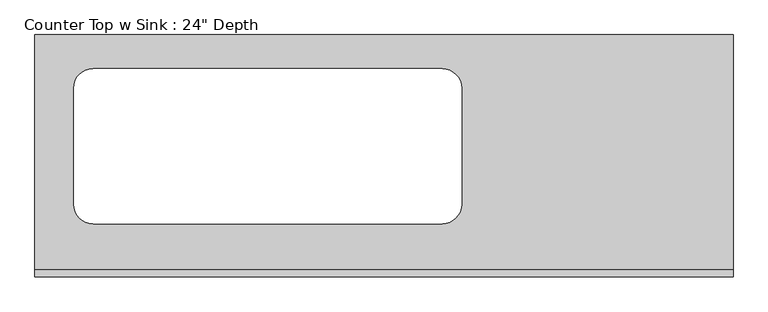
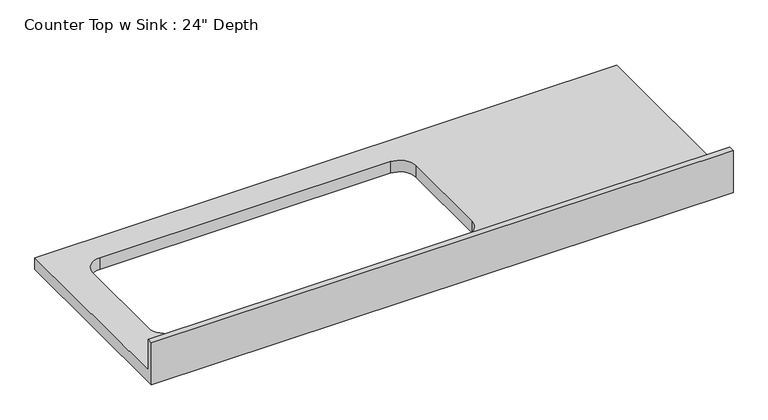
"""IFC4 building model written with IfcOpenShell, lengths in millimetres: furniture geometry."""

from ifc_helpers import new_model, si_unit, frame, origin, place, context, project, spatial, polyline, circle_curve, source, transform, mapped, element, save
from ifc_brep_helpers import plane_surface, revolved_surface, advanced_brep


def furniture_122af31f(model_context):
    return source(origin(), model_context, "Body", "AdvancedBrep", [
        advanced_brep(
        [(-1200.4622951, 635.0, 914.4), (-1200.4622951, 19.05, 914.4), (628.3377049, 19.05, 914.4), (628.3377049, 635.0, 914.4), (-1048.0622951, 139.7, 914.4), (-1098.8622951, 190.5, 914.4), (-1098.8622951, 495.3, 914.4), (-1048.0622951, 546.1, 914.4), (-133.6622951, 546.1, 914.4), (-82.8622951, 495.3, 914.4), (-82.8622951, 190.5, 914.4), (-133.6622951, 139.7, 914.4), (628.3377049, 0.0, 876.3), (-1200.4622951, 0.0, 876.3), (-1200.4622951, 635.0, 876.3), (628.3377049, 635.0, 876.3), (-133.6622951, 139.7, 876.3), (-82.8622951, 190.5, 876.3), (-82.8622951, 495.3, 876.3), (-133.6622951, 546.1, 876.3), (-1048.0622951, 546.1, 876.3), (-1098.8622951, 495.3, 876.3), (-1098.8622951, 190.5, 876.3), (-1048.0622951, 139.7, 876.3), (628.3377049, 0.0, 1016.0), (-1200.4622951, 0.0, 1016.0), (-1200.4622951, 19.05, 1016.0), (628.3377049, 19.05, 1016.0)],
        [
            (0, 1),
            (1, 2),
            (2, 3),
            (3, 0),
            (4, 5, circle_curve(frame((-1048.0622951, 190.5, 914.4), z_axis=(0.0, 0.0, -1.0), x_axis=(1.0, 0.0, 0.0)), 50.8)),
            (5, 6),
            (6, 7, circle_curve(frame((-1048.0622951, 495.3, 914.4), z_axis=(0.0, 0.0, -1.0), x_axis=(1.0, 0.0, 0.0)), 50.8)),
            (7, 8),
            (8, 9, circle_curve(frame((-133.6622951, 495.3, 914.4), z_axis=(0.0, 0.0, -1.0), x_axis=(1.0, 0.0, 0.0)), 50.8)),
            (9, 10),
            (10, 11, circle_curve(frame((-133.6622951, 190.5, 914.4), z_axis=(0.0, 0.0, -1.0), x_axis=(1.0, 0.0, 0.0)), 50.8)),
            (11, 4),
            (12, 13),
            (13, 14),
            (14, 15),
            (15, 12),
            (16, 17, circle_curve(frame((-133.6622951, 190.5, 876.3), z_axis=(0.0, 0.0, 1.0), x_axis=(1.0, 0.0, 0.0)), 50.8)),
            (17, 18),
            (18, 19, circle_curve(frame((-133.6622951, 495.3, 876.3), z_axis=(0.0, 0.0, 1.0), x_axis=(1.0, 0.0, 0.0)), 50.8)),
            (19, 20),
            (20, 21, circle_curve(frame((-1048.0622951, 495.3, 876.3), z_axis=(0.0, 0.0, 1.0), x_axis=(1.0, 0.0, 0.0)), 50.8)),
            (21, 22),
            (22, 23, circle_curve(frame((-1048.0622951, 190.5, 876.3), z_axis=(0.0, 0.0, 1.0), x_axis=(1.0, 0.0, 0.0)), 50.8)),
            (23, 16),
            (12, 24),
            (24, 25),
            (25, 13),
            (25, 26),
            (26, 1),
            (0, 14),
            (3, 15),
            (2, 27),
            (27, 24),
            (27, 26),
            (11, 16),
            (23, 4),
            (22, 5),
            (21, 6),
            (20, 7),
            (19, 8),
            (18, 9),
            (17, 10),
        ],
        [
            plane_surface(frame((-1200.4622951, 0.0, 914.4), z_axis=(0.0, 0.0, 1.0), x_axis=(-1.0, 0.0, 0.0))),
            plane_surface(frame((-1200.4622951, 0.0, 876.3), z_axis=(0.0, 0.0, -1.0), x_axis=(1.0, 0.0, 0.0))),
            plane_surface(frame((628.3377049, 0.0, 914.4), z_axis=(0.0, -1.0, 0.0), x_axis=(0.0, 0.0, -1.0))),
            plane_surface(frame((-1200.4622951, 0.0, 914.4), z_axis=(-1.0, 0.0, 0.0), x_axis=(0.0, 0.0, -1.0))),
            plane_surface(frame((-1200.4622951, 635.0, 914.4), z_axis=(0.0, 1.0, 0.0), x_axis=(0.0, 0.0, -1.0))),
            plane_surface(frame((628.3377049, 635.0, 914.4), z_axis=(1.0, 0.0, 0.0), x_axis=(0.0, 0.0, -1.0))),
            plane_surface(frame((-1200.4622951, 0.0, 1016.0), z_axis=(0.0, 0.0, 1.0), x_axis=(0.0, 1.0, 0.0))),
            plane_surface(frame((-1200.4622951, 19.05, 1016.0), z_axis=(0.0, 1.0, 0.0), x_axis=(0.0, 0.0, -1.0))),
            plane_surface(frame((-133.6622951, 139.7, 914.4), z_axis=(0.0, 1.0, 0.0), x_axis=(0.0, 0.0, -1.0))),
            revolved_surface(polyline([(-997.2622951000001, 190.5, 914.4), (-997.2622951000001, 190.5, 876.3)]), (-1048.0622951, 190.5, 876.3), (0.0, 0.0, 1.0)),
            plane_surface(frame((-1098.8622951, 190.5, 914.4), z_axis=(1.0, 0.0, 0.0), x_axis=(0.0, 0.0, -1.0))),
            revolved_surface(polyline([(-997.2622951000001, 495.3, 914.4), (-997.2622951000001, 495.3, 876.3)]), (-1048.0622951, 495.3, 876.3), (0.0, 0.0, 1.0)),
            plane_surface(frame((-1048.0622951, 546.1, 914.4), z_axis=(0.0, -1.0, 0.0), x_axis=(0.0, 0.0, -1.0))),
            revolved_surface(polyline([(-82.8622951, 495.3, 914.4), (-82.8622951, 495.3, 876.3)]), (-133.6622951, 495.3, 876.3), (0.0, 0.0, 1.0)),
            plane_surface(frame((-82.8622951, 495.3, 914.4), z_axis=(-1.0, 0.0, 0.0), x_axis=(0.0, 0.0, -1.0))),
            revolved_surface(polyline([(-82.8622951, 190.5, 914.4), (-82.8622951, 190.5, 876.3)]), (-133.6622951, 190.5, 876.3), (0.0, 0.0, 1.0)),
        ],
        [
            (0, [[1, 2, 3, 4], [5, 6, 7, 8, 9, 10, 11, 12]]),
            (1, [[13, 14, 15, 16], [17, 18, 19, 20, 21, 22, 23, 24]]),
            (2, [[25, 26, 27, -13]]),
            (3, [[-27, 28, 29, -1, 30, -14]]),
            (4, [[31, -15, -30, -4]]),
            (5, [[-31, -3, 32, 33, -25, -16]]),
            (6, [[-26, -33, 34, -28]]),
            (7, [[-32, -2, -29, -34]]),
            (8, [[-12, 35, -24, 36]]),
            (9, [[-23, 37, -5, -36]]),
            (10, [[-22, 38, -6, -37]]),
            (11, [[-21, 39, -7, -38]]),
            (12, [[-20, 40, -8, -39]]),
            (13, [[-19, 41, -9, -40]]),
            (14, [[-18, 42, -10, -41]]),
            (15, [[-11, -42, -17, -35]]),
        ],
    ),
    ])


if __name__ == "__main__":
    model = new_model("IFC4")
    model_context = context("Model", 3, world=origin())
    ifc_project = project(units=[si_unit("LENGTHUNIT", "METRE", prefix="MILLI")], contexts=[model_context])
    site = spatial("IfcSite", under=ifc_project)
    building = spatial("IfcBuilding", under=site)
    placement = place(None, origin())
    furniture_shape = furniture_122af31f(model_context)
    element("IfcFurniture", 1, ObjectType="Counter Top w Sink : 24\" Depth", at=placement, inside=building, context=model_context, shape_type="MappedRepresentation", body=[
        mapped(furniture_shape, transform((0.0, 0.0, 0.0), x_axis=(1.0, 0.0, 0.0), y_axis=(0.0, 1.0, 0.0), z_axis=(0.0, 0.0, 1.0))),
    ])
    save(model, "model.ifc")
